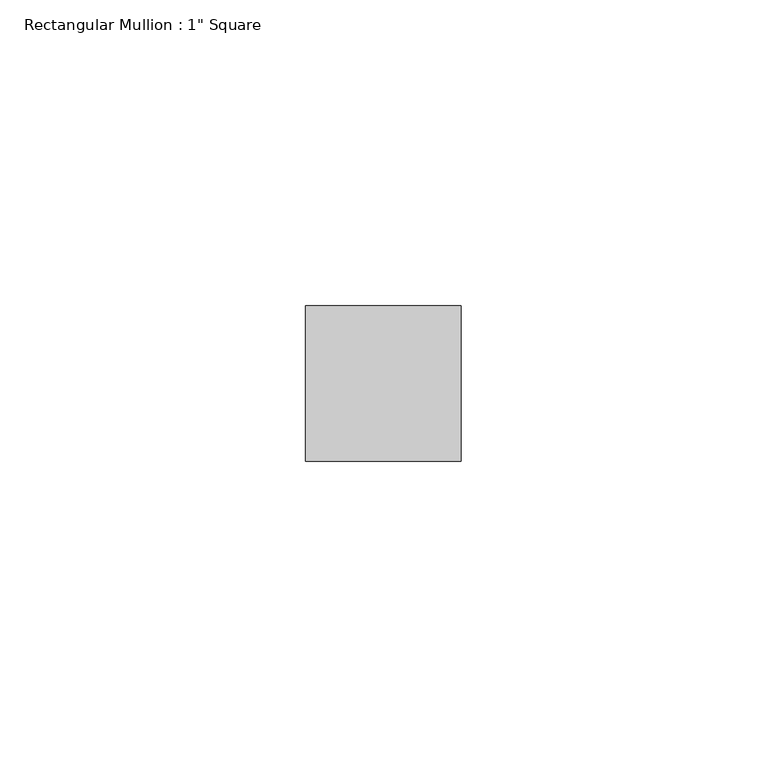
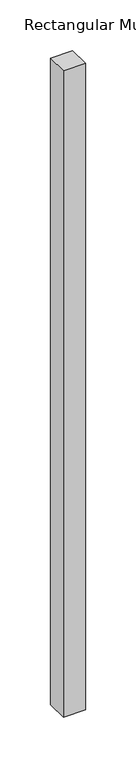
"""IFC4 building model written with IfcOpenShell, lengths in millimetres: member geometry."""

import ifcopenshell
import ifcopenshell.guid

model = None  # the IFC model being written
_history = None  # IfcOwnerHistory: only IFC2X3 demands one
_inside = {}  # id of a spatial element -> (the spatial element, [elements in it])
_under = {}  # id of a project, library or spatial element -> (it, [spatial elements below it])
_declared = {}  # id of a project -> (the project, [libraries it declares])
_typed = {}  # id of a type object -> (the type object, [elements of that type])
_made_of = {}  # id of a material, layer set ... -> (it, [elements and type objects made of it])


def new_model(schema):
    """Start an empty IFC model of exactly this schema.

    Asked for "IFC4X3", IfcOpenShell would pick the latest addendum, in which some entities
    have other attributes; the version numbers below select the first issue.
    IFC2X3 requires an IfcOwnerHistory on every rooted entity: one is made here for all.
    """
    global model, _history
    if schema == "IFC4X3":
        model = ifcopenshell.file(schema_version=(4, 3, 0, 0))
    else:
        model = ifcopenshell.file(schema=schema)
    _inside.clear()
    _under.clear()
    _declared.clear()
    _typed.clear()
    _made_of.clear()
    _history = None
    if model.schema == "IFC2X3":
        org = make("IfcOrganization", Name="unknown")
        user = make(
            "IfcPersonAndOrganization",
            ThePerson=make("IfcPerson", FamilyName="unknown"),
            TheOrganization=org,
        )
        app = make(
            "IfcApplication",
            ApplicationDeveloper=org,
            Version="unknown",
            ApplicationFullName="unknown",
            ApplicationIdentifier="unknown",
        )
        _history = make(
            "IfcOwnerHistory",
            OwningUser=user,
            OwningApplication=app,
            ChangeAction="ADDED",
            CreationDate=0,
        )
    return model


def make(cls, **values):
    """One entity of the class cls with the attributes given. An attribute that is None is left unset."""
    return model.create_entity(
        cls, **{name: value for name, value in values.items() if value is not None}
    )


def rooted(cls, **values):
    """An entity with a GlobalId (a new one), such as an element, a storey or a relation."""
    return make(cls, GlobalId=ifcopenshell.guid.new(), OwnerHistory=_history, **values)


def si_unit(unit_type, name, prefix=None):
    """IfcSIUnit, for example si_unit("LENGTHUNIT", "METRE", prefix="MILLI")."""
    return make("IfcSIUnit", UnitType=unit_type, Prefix=prefix, Name=name)


def assignment(units):
    """IfcUnitAssignment: the units of a project."""
    return None if units is None else make("IfcUnitAssignment", Units=units)


def point(xyz):
    """IfcCartesianPoint."""
    return None if xyz is None else make("IfcCartesianPoint", Coordinates=xyz)


def direction(xyz):
    """IfcDirection."""
    return None if xyz is None else make("IfcDirection", DirectionRatios=xyz)


def frame(location, z_axis=None, x_axis=None):
    """IfcAxis2Placement3D, a coordinate frame: its origin and axes. An axis left out is left unset."""
    return make(
        "IfcAxis2Placement3D",
        Location=point(location),
        Axis=direction(z_axis),
        RefDirection=direction(x_axis),
    )


def origin():
    """The frame at (0, 0, 0) with its axes left unset."""
    return frame((0.0, 0.0, 0.0))


def place(relative_to, where):
    """IfcLocalPlacement: puts the frame where relative to a parent placement (None: the world)."""
    return make(
        "IfcLocalPlacement", PlacementRelTo=relative_to, RelativePlacement=where
    )


def context(
    kind, dimensions, precision=None, world=None, true_north=None, identifier=None
):
    """IfcGeometricRepresentationContext, for example the 3D "Model" context."""
    return make(
        "IfcGeometricRepresentationContext",
        ContextIdentifier=identifier,
        ContextType=kind,
        CoordinateSpaceDimension=dimensions,
        Precision=precision,
        WorldCoordinateSystem=world,
        TrueNorth=true_north,
    )


def project(units=None, contexts=None):
    """IfcProject with its units and contexts."""
    return rooted(
        "IfcProject",
        Name="project",
        RepresentationContexts=contexts,
        UnitsInContext=assignment(units),
    )


def spatial(cls, under=None, at=None, **own):
    """A site, building, storey or space (cls), placed at a placement, below another one or the project."""
    s = rooted(cls, ObjectPlacement=at, **own)
    if under is not None:
        _under.setdefault(under.id(), (under, []))[1].append(s)
    return s


def polyline(points):
    """IfcPolyline through the points."""
    return make("IfcPolyline", Points=[point(p) for p in points])


def outline(outer, holes=None, kind="AREA"):
    """IfcArbitraryClosedProfileDef: a profile drawn as a closed curve; with holes, ...WithVoids."""
    if holes is None:
        return make("IfcArbitraryClosedProfileDef", ProfileType=kind, OuterCurve=outer)
    return make(
        "IfcArbitraryProfileDefWithVoids",
        ProfileType=kind,
        OuterCurve=outer,
        InnerCurves=holes,
    )


def extrude(swept, where, along, depth):
    """IfcExtrudedAreaSolid: the profile swept, set in the frame where, extruded along a direction by depth."""
    return make(
        "IfcExtrudedAreaSolid",
        SweptArea=swept,
        Position=where,
        ExtrudedDirection=direction(along),
        Depth=depth,
    )


def shape(context_of_items, identifier, shape_type, items):
    """IfcShapeRepresentation: the items that make up one representation, for example the "Body"."""
    return make(
        "IfcShapeRepresentation",
        ContextOfItems=context_of_items,
        RepresentationIdentifier=identifier,
        RepresentationType=shape_type,
        Items=items,
    )


def source(mapping_origin, context_of_items, identifier, shape_type, items):
    """IfcRepresentationMap: a shape defined once, which mapped items show again and again."""
    return make(
        "IfcRepresentationMap",
        MappingOrigin=mapping_origin,
        MappedRepresentation=shape(context_of_items, identifier, shape_type, items),
    )


def transform(
    local_origin,
    x_axis=None,
    y_axis=None,
    z_axis=None,
    scale=None,
    scale2=None,
    scale3=None,
    uniform=True,
):
    """IfcCartesianTransformationOperator3D, or its non-uniform kind. x_axis, y_axis, z_axis: its Axis1, 2, 3."""
    if uniform:
        return make(
            "IfcCartesianTransformationOperator3D",
            Axis1=direction(x_axis),
            Axis2=direction(y_axis),
            LocalOrigin=point(local_origin),
            Scale=scale,
            Axis3=direction(z_axis),
        )
    return make(
        "IfcCartesianTransformationOperator3DnonUniform",
        Axis1=direction(x_axis),
        Axis2=direction(y_axis),
        LocalOrigin=point(local_origin),
        Scale=scale,
        Axis3=direction(z_axis),
        Scale2=scale2,
        Scale3=scale3,
    )


def mapped(mapping_source, mapping_target):
    """IfcMappedItem: shows the shape of a source again, moved by a transform."""
    return make(
        "IfcMappedItem", MappingSource=mapping_source, MappingTarget=mapping_target
    )


def made_of(thing, what):
    """Note that an element or type object is made of a material, layer set ...; save() writes the relation."""
    if what is not None:
        _made_of.setdefault(what.id(), (what, []))[1].append(thing)
    return thing


def element(
    cls,
    number,
    at=None,
    inside=None,
    cuts=None,
    type_object=None,
    material=None,
    context=None,
    identifier="Body",
    shape_type=None,
    held_by="IfcProductDefinitionShape",
    body=None,
    shapes=None,
    **own,
):
    """One element of the class cls, such as IfcWall. Its Tag is "e" and its number.

    at: its placement. inside: the storey or other place that contains it. cuts: it is an
    opening in that element (IfcRelVoidsElement). A single representation is given by context,
    identifier, shape_type and body (its items); several are given by shapes. held_by: the class
    of the entity that holds the representations. save() writes the other relations.
    """
    e = rooted(cls, Tag="e%d" % number, ObjectPlacement=at, **own)
    if body is not None:
        shapes = [shape(context, identifier, shape_type, body)]
    if shapes is not None:
        e.Representation = make(held_by, Representations=shapes)
    if inside is not None:
        _inside.setdefault(inside.id(), (inside, []))[1].append(e)
    if cuts is not None:
        rooted(
            "IfcRelVoidsElement", RelatingBuildingElement=cuts, RelatedOpeningElement=e
        )
    if type_object is not None:
        _typed.setdefault(type_object.id(), (type_object, []))[1].append(e)
    return made_of(e, material)


def aggregate(whole, parts):
    """IfcRelAggregates: a whole, such as a stair, and the parts it consists of."""
    return rooted("IfcRelAggregates", RelatingObject=whole, RelatedObjects=parts)


def save(model, path):
    """Write the relations noted so far, then the file.

    IfcRelAggregates (storeys below a building ...), IfcRelContainedInSpatialStructure (elements
    in a storey), IfcRelDefinesByType, IfcRelAssociatesMaterial and IfcRelDeclares: one each for
    every whole, place, type object, material and project.
    """
    for whole, parts in _under.values():
        aggregate(whole, parts)
    for where, things in _inside.values():
        rooted(
            "IfcRelContainedInSpatialStructure",
            RelatedElements=things,
            RelatingStructure=where,
        )
    for kind, things in _typed.values():
        rooted("IfcRelDefinesByType", RelatedObjects=things, RelatingType=kind)
    for what, things in _made_of.values():
        rooted("IfcRelAssociatesMaterial", RelatedObjects=things, RelatingMaterial=what)
    for by, libraries in _declared.values():
        rooted("IfcRelDeclares", RelatingContext=by, RelatedDefinitions=libraries)
    model.write(path)


def member_b615c893(model_context):
    return source(origin(), model_context, "Body", "SweptSolid", [
        extrude(outline(polyline([(0.0, 12.7), (0.0, -12.7), (-25.4, -12.7), (-25.4, 12.7), (0.0, 12.7)])), frame((0.0, 0.0, -779.3666667), z_axis=(0.0, 0.0, 1.0), x_axis=(1.0, 0.0, 0.0)), (0.0, 0.0, 1.0), 779.3666667),
    ])


if __name__ == "__main__":
    model = new_model("IFC4")
    model_context = context("Model", 3, world=origin())
    ifc_project = project(units=[si_unit("LENGTHUNIT", "METRE", prefix="MILLI")], contexts=[model_context])
    site = spatial("IfcSite", under=ifc_project)
    building = spatial("IfcBuilding", under=site)
    placement = place(None, origin())
    member_shape = member_b615c893(model_context)
    element("IfcMember", 1, ObjectType="Rectangular Mullion : 1\" Square", at=placement, inside=building, context=model_context, shape_type="MappedRepresentation", body=[
        mapped(member_shape, transform((0.0, 0.0, 0.0), x_axis=(1.0, 0.0, 0.0), y_axis=(0.0, 1.0, 0.0), z_axis=(0.0, 0.0, 1.0))),
    ])
    save(model, "model.ifc")
